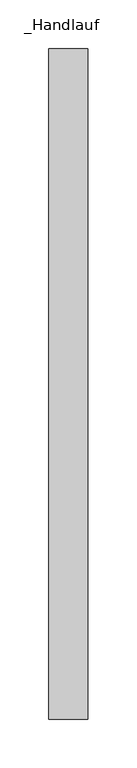
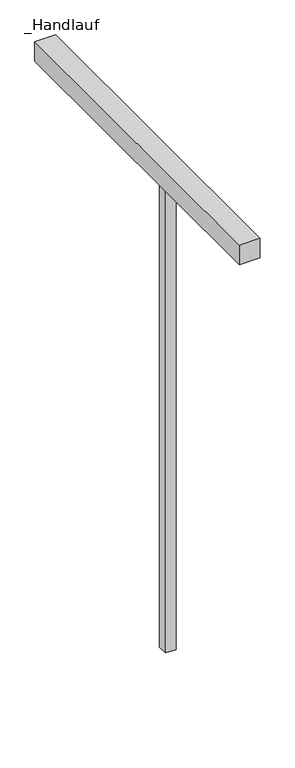
"""IFC4 building model written with IfcOpenShell, lengths in millimetres: railing geometry, _Handlauf."""

from ifc_helpers import new_model, si_unit, frame, origin, place, context, project, spatial, polyline, outline, extrude, source, transform, mapped, element, save


def handlauf_180b69cf(model_context):
    return source(origin(), model_context, "Body", "SweptSolid", [
        extrude(outline(polyline([(8940.0, 5050.0), (8980.0, 5050.0), (8980.0, 4362.6), (8940.0, 4362.6), (8940.0, 5050.0)])), frame((0.0, 0.0, 4460.0), z_axis=(0.0, 0.0, 1.0), x_axis=(1.0, 0.0, 0.0)), (0.0, 0.0, 1.0), 40.0),
        extrude(outline(polyline([(8950.0, 4647.56), (8970.0, 4647.56), (8970.0, 4627.56), (8950.0, 4627.56), (8950.0, 4647.56)])), frame((0.0, 0.0, 3500.0), z_axis=(0.0, 0.0, 1.0), x_axis=(1.0, 0.0, 0.0)), (0.0, 0.0, 1.0), 960.0),
    ])


if __name__ == "__main__":
    model = new_model("IFC4")
    model_context = context("Model", 3, world=origin())
    ifc_project = project(units=[si_unit("LENGTHUNIT", "METRE", prefix="MILLI")], contexts=[model_context])
    site = spatial("IfcSite", under=ifc_project)
    building = spatial("IfcBuilding", under=site)
    placement = place(None, origin())
    handlauf_shape = handlauf_180b69cf(model_context)
    element("IfcRailing", 1, ObjectType="_Handlauf", at=placement, inside=building, context=model_context, shape_type="MappedRepresentation", body=[
        mapped(handlauf_shape, transform((0.0, 0.0, 0.0), x_axis=(1.0, 0.0, 0.0), y_axis=(0.0, 1.0, 0.0), z_axis=(0.0, 0.0, 1.0))),
    ])
    save(model, "model.ifc")
